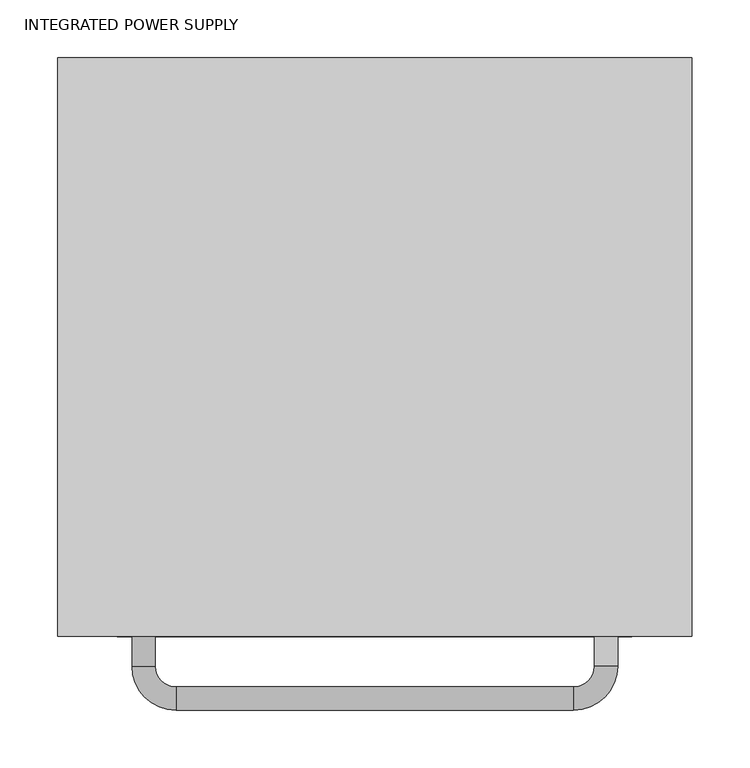
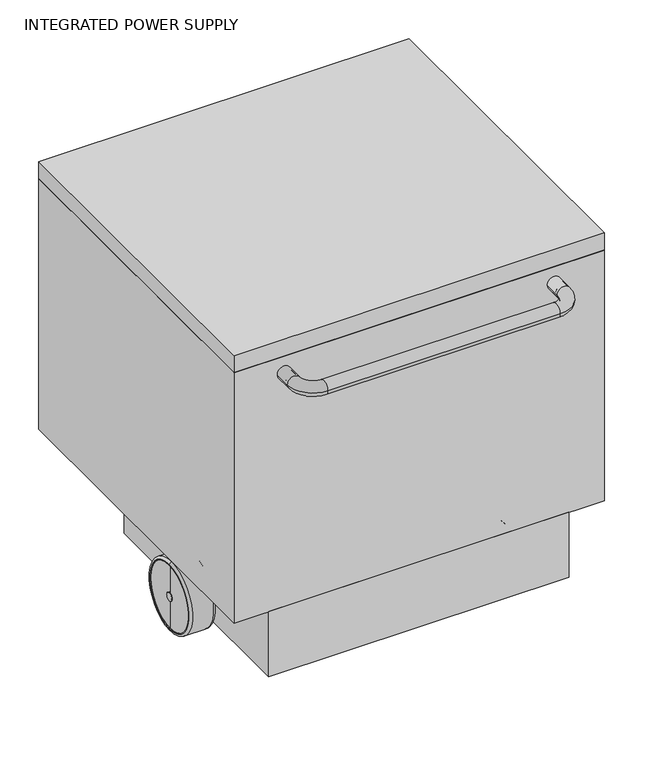
"""IFC4 building model written with IfcOpenShell, lengths in millimetres: proxy geometry, INTEGRATED POWER SUPPLY."""

from ifc_helpers import new_model, si_unit, point, frame, frame_2d, origin, place, context, project, spatial, polyline, circle_curve, ellipse_curve, trimmed, segment, composite_curve, outline, extrude, source, transform, mapped, element, save
from ifc_brep_helpers import plane_surface, cylinder_surface, revolved_surface, advanced_brep


def integrated_power_supply_78c6c87e(model_context):
    return source(origin(), model_context, "Body", "SolidModel", [
        extrude(outline(composite_curve([segment(trimmed(circle_curve(frame_2d((-93.9407772, 24.2902426)), 5.4242209), [point((-92.5400523, 19.05))], [point((-95.3284853, 29.5339473))], False, "CARTESIAN"), True, "CONTINUOUS"), segment(polyline([(-95.3284853, 29.5339473), (-88.7544815, 54.0684633), (-47.7184633, 54.0684633), (-92.5400523, 19.05)]), True, "CONTINUOUS")], self_intersect=False)), frame((-19.05, 0.0, 0.0), z_axis=(1.0, 0.0, 0.0), x_axis=(0.0, 1.0, 0.0)), (0.0, 0.0, 1.0), 38.1),
        advanced_brep(
        [(-264.43939, -317.5, 3.175), (-264.43939, -317.5, 104.775), (-261.26439, -317.5, 107.95), (-261.26439, -317.5, 0.0), (-264.43939, -317.5, 4.5222957), (-264.43939, -317.5, 103.4277043), (-263.2740892, -317.5, 4.5222957), (-263.2740892, -317.5, 103.4277043), (-263.2740892, -317.5, 53.975), (-226.33939, -317.5, 3.175), (-226.33939, -317.5, 104.775), (-226.33939, -317.5, 53.975), (-229.51439, -317.5, 0.0), (-229.51439, -317.5, 107.95)],
        [
            (0, 1, circle_curve(frame((-264.43939, -317.5, 53.975), z_axis=(1.0, 0.0, 0.0), x_axis=(0.0, 0.0, 1.0)), 50.8)),
            (1, 2, circle_curve(frame((-261.26439, -317.5, 104.775), z_axis=(0.0, 1.0, 0.0), x_axis=(1.0, 0.0, 0.0)), 3.175)),
            (2, 3, circle_curve(frame((-261.26439, -317.5, 53.975), z_axis=(-1.0, 0.0, 0.0), x_axis=(0.0, 0.0, 1.0)), 53.975)),
            (3, 0, circle_curve(frame((-261.26439, -317.5, 3.175), z_axis=(0.0, 1.0, 0.0), x_axis=(1.0, 0.0, 0.0)), 3.175)),
            (1, 0, circle_curve(frame((-264.43939, -317.5, 53.975), z_axis=(1.0, 0.0, 0.0), x_axis=(0.0, 0.0, 1.0)), 50.8)),
            (3, 2, circle_curve(frame((-261.26439, -317.5, 53.975), z_axis=(-1.0, 0.0, 0.0), x_axis=(0.0, 0.0, 1.0)), 53.975)),
            (4, 5, circle_curve(frame((-264.43939, -317.5, 53.975), z_axis=(1.0, 0.0, 0.0), x_axis=(0.0, 0.0, 1.0)), 49.4527043)),
            (5, 1),
            (0, 4),
            (5, 4, circle_curve(frame((-264.43939, -317.5, 53.975), z_axis=(1.0, 0.0, 0.0), x_axis=(0.0, 0.0, 1.0)), 49.4527043)),
            (6, 7, circle_curve(frame((-263.2740892, -317.5, 53.975), z_axis=(1.0, 0.0, 0.0), x_axis=(0.0, 0.0, 1.0)), 49.4527043)),
            (7, 5),
            (4, 6),
            (7, 6, circle_curve(frame((-263.2740892, -317.5, 53.975), z_axis=(1.0, 0.0, 0.0), x_axis=(0.0, 0.0, 1.0)), 49.4527043)),
            (8, 7),
            (6, 8),
            (9, 10, circle_curve(frame((-226.33939, -317.5, 53.975), z_axis=(1.0, 0.0, 0.0), x_axis=(0.0, 0.0, 1.0)), 50.8)),
            (10, 11),
            (11, 9),
            (10, 9, circle_curve(frame((-226.33939, -317.5, 53.975), z_axis=(1.0, 0.0, 0.0), x_axis=(0.0, 0.0, 1.0)), 50.8)),
            (12, 13, circle_curve(frame((-229.51439, -317.5, 53.975), z_axis=(1.0, 0.0, 0.0), x_axis=(0.0, 0.0, 1.0)), 53.975)),
            (13, 10, circle_curve(frame((-229.51439, -317.5, 104.775), z_axis=(0.0, 1.0, 0.0), x_axis=(1.0, 0.0, 0.0)), 3.175)),
            (9, 12, circle_curve(frame((-229.51439, -317.5, 3.175), z_axis=(0.0, 1.0, 0.0), x_axis=(1.0, 0.0, 0.0)), 3.175)),
            (13, 12, circle_curve(frame((-229.51439, -317.5, 53.975), z_axis=(1.0, 0.0, 0.0), x_axis=(0.0, 0.0, 1.0)), 53.975)),
            (2, 13),
            (12, 3),
        ],
        [
            revolved_surface(trimmed(ellipse_curve(frame((-261.26439, -317.5, 104.775), z_axis=(0.0, -1.0, 0.0), x_axis=(1.0, 0.0, 0.0)), 3.175, 3.175), [point((-261.26439, -317.5, 107.95))], [point((-264.43939, -317.5, 104.775))], True, "CARTESIAN"), (-270.78939, -317.5, 53.975), (-1.0, 0.0, 0.0)),
            plane_surface(frame((-264.43939, -317.5, 53.975), z_axis=(-1.0, 0.0, 0.0), x_axis=(0.0, 0.0, 1.0))),
            revolved_surface(polyline([(-264.43939, -317.5, 103.4277043), (-263.2740892, -317.5, 103.4277043)]), (-270.78939, -317.5, 53.975), (-1.0, 0.0, 0.0)),
            plane_surface(frame((-263.2740892, -317.5, 53.975), z_axis=(-1.0, 0.0, 0.0), x_axis=(0.0, 0.0, 1.0))),
            plane_surface(frame((-226.33939, -317.5, 53.975), z_axis=(1.0, 0.0, 0.0), x_axis=(0.0, 0.0, 1.0))),
            revolved_surface(trimmed(ellipse_curve(frame((-229.51439, -317.5, 104.775), z_axis=(0.0, -1.0, 0.0), x_axis=(1.0, 0.0, 0.0)), 3.175, 3.175), [point((-226.33939, -317.5, 104.775))], [point((-229.51439, -317.5, 107.95))], True, "CARTESIAN"), (-270.78939, -317.5, 53.975), (-1.0, 0.0, 0.0)),
            cylinder_surface(frame((-270.78939, -317.5, 53.975), z_axis=(-1.0, 0.0, 0.0), x_axis=(0.0, 0.0, 1.0)), 53.975),
        ],
        [
            (0, [[1, 2, 3, 4]]),
            (0, [[5, -4, 6, -2]]),
            (1, [[7, 8, -1, 9]]),
            (1, [[10, -9, -5, -8]]),
            (2, [[11, 12, -7, 13]]),
            (2, [[14, -13, -10, -12]]),
            (3, [[15, -11, 16]]),
            (3, [[-16, -14, -15]]),
            (4, [[17, 18, 19]]),
            (4, [[20, -19, -18]]),
            (5, [[21, 22, -17, 23]]),
            (5, [[24, -23, -20, -22]]),
            (6, [[-3, 25, -21, 26]]),
            (6, [[-6, -26, -24, -25]]),
        ],
    ),
        extrude(outline(composite_curve([segment(trimmed(circle_curve(frame_2d((-317.5, 53.975)), 6.35), [point((-311.15, 53.975))], [point((-323.85, 53.975))], False, "CARTESIAN"), True, "CONTINUOUS"), segment(trimmed(circle_curve(frame_2d((-317.5, 53.975)), 6.35), [point((-323.85, 53.975))], [point((-311.15, 53.975))], False, "CARTESIAN"), True, "CONTINUOUS")], self_intersect=False)), frame((-264.43939, 0.0, 0.0), z_axis=(1.0, 0.0, 0.0), x_axis=(0.0, 1.0, 0.0)), (0.0, 0.0, 1.0), 528.87878),
        advanced_brep(
        [(229.51439, -317.5, 0.0), (229.51439, -317.5, 107.95), (261.26439, -317.5, 107.95), (261.26439, -317.5, 0.0), (226.33939, -317.5, 3.175), (226.33939, -317.5, 104.775), (226.33939, -317.5, 53.975), (263.2740892, -317.5, 4.5222957), (263.2740892, -317.5, 103.4277043), (263.2740892, -317.5, 53.975), (264.43939, -317.5, 4.5222957), (264.43939, -317.5, 103.4277043), (264.43939, -317.5, 3.175), (264.43939, -317.5, 104.775)],
        [
            (0, 1, circle_curve(frame((229.51439, -317.5, 53.975), z_axis=(1.0, 0.0, 0.0), x_axis=(0.0, 0.0, 1.0)), 53.975)),
            (1, 2),
            (2, 3, circle_curve(frame((261.26439, -317.5, 53.975), z_axis=(-1.0, 0.0, 0.0), x_axis=(0.0, 0.0, 1.0)), 53.975)),
            (3, 0),
            (1, 0, circle_curve(frame((229.51439, -317.5, 53.975), z_axis=(1.0, 0.0, 0.0), x_axis=(0.0, 0.0, 1.0)), 53.975)),
            (3, 2, circle_curve(frame((261.26439, -317.5, 53.975), z_axis=(-1.0, 0.0, 0.0), x_axis=(0.0, 0.0, 1.0)), 53.975)),
            (4, 5, circle_curve(frame((226.33939, -317.5, 53.975), z_axis=(1.0, 0.0, 0.0), x_axis=(0.0, 0.0, 1.0)), 50.8)),
            (5, 1, circle_curve(frame((229.51439, -317.5, 104.775), z_axis=(0.0, 1.0, 0.0), x_axis=(-1.0, 0.0, 0.0)), 3.175)),
            (0, 4, circle_curve(frame((229.51439, -317.5, 3.175), z_axis=(0.0, 1.0, 0.0), x_axis=(-1.0, 0.0, 0.0)), 3.175)),
            (5, 4, circle_curve(frame((226.33939, -317.5, 53.975), z_axis=(1.0, 0.0, 0.0), x_axis=(0.0, 0.0, 1.0)), 50.8)),
            (6, 5),
            (4, 6),
            (7, 8, circle_curve(frame((263.2740892, -317.5, 53.975), z_axis=(1.0, 0.0, 0.0), x_axis=(0.0, 0.0, 1.0)), 49.4527043)),
            (8, 9),
            (9, 7),
            (8, 7, circle_curve(frame((263.2740892, -317.5, 53.975), z_axis=(1.0, 0.0, 0.0), x_axis=(0.0, 0.0, 1.0)), 49.4527043)),
            (10, 11, circle_curve(frame((264.43939, -317.5, 53.975), z_axis=(1.0, 0.0, 0.0), x_axis=(0.0, 0.0, 1.0)), 49.4527043)),
            (11, 8),
            (7, 10),
            (11, 10, circle_curve(frame((264.43939, -317.5, 53.975), z_axis=(1.0, 0.0, 0.0), x_axis=(0.0, 0.0, 1.0)), 49.4527043)),
            (12, 13, circle_curve(frame((264.43939, -317.5, 53.975), z_axis=(1.0, 0.0, 0.0), x_axis=(0.0, 0.0, 1.0)), 50.8)),
            (13, 11),
            (10, 12),
            (13, 12, circle_curve(frame((264.43939, -317.5, 53.975), z_axis=(1.0, 0.0, 0.0), x_axis=(0.0, 0.0, 1.0)), 50.8)),
            (2, 13, circle_curve(frame((261.26439, -317.5, 104.775), z_axis=(0.0, 1.0, 0.0), x_axis=(-1.0, 0.0, 0.0)), 3.175)),
            (12, 3, circle_curve(frame((261.26439, -317.5, 3.175), z_axis=(0.0, 1.0, 0.0), x_axis=(-1.0, 0.0, 0.0)), 3.175)),
        ],
        [
            cylinder_surface(frame((270.78939, -317.5, 53.975), z_axis=(-1.0, 0.0, 0.0), x_axis=(0.0, 0.0, 1.0)), 53.975),
            revolved_surface(trimmed(ellipse_curve(frame((229.51439, -317.5, 104.775), z_axis=(0.0, -1.0, 0.0), x_axis=(-1.0, 0.0, 0.0)), 3.175, 3.175), [point((229.51439, -317.5, 107.95))], [point((226.33939, -317.5, 104.775))], True, "CARTESIAN"), (270.78939, -317.5, 53.975), (-1.0, 0.0, 0.0)),
            plane_surface(frame((226.33939, -317.5, 53.975), z_axis=(-1.0, 0.0, 0.0), x_axis=(0.0, 0.0, 1.0))),
            plane_surface(frame((263.2740892, -317.5, 53.975), z_axis=(1.0, 0.0, 0.0), x_axis=(0.0, 0.0, 1.0))),
            revolved_surface(polyline([(263.2740892, -317.5, 103.4277043), (264.43939, -317.5, 103.4277043)]), (270.78939, -317.5, 53.975), (-1.0, 0.0, 0.0)),
            plane_surface(frame((264.43939, -317.5, 53.975), z_axis=(1.0, 0.0, 0.0), x_axis=(0.0, 0.0, 1.0))),
            revolved_surface(trimmed(ellipse_curve(frame((261.26439, -317.5, 104.775), z_axis=(0.0, -1.0, 0.0), x_axis=(-1.0, 0.0, 0.0)), 3.175, 3.175), [point((264.43939, -317.5, 104.775))], [point((261.26439, -317.5, 107.95))], True, "CARTESIAN"), (270.78939, -317.5, 53.975), (-1.0, 0.0, 0.0)),
        ],
        [
            (0, [[1, 2, 3, 4]]),
            (0, [[5, -4, 6, -2]]),
            (1, [[7, 8, -1, 9]]),
            (1, [[10, -9, -5, -8]]),
            (2, [[11, -7, 12]]),
            (2, [[-12, -10, -11]]),
            (3, [[13, 14, 15]]),
            (3, [[16, -15, -14]]),
            (4, [[17, 18, -13, 19]]),
            (4, [[20, -19, -16, -18]]),
            (5, [[21, 22, -17, 23]]),
            (5, [[24, -23, -20, -22]]),
            (6, [[-3, 25, -21, 26]]),
            (6, [[-6, -26, -24, -25]]),
        ],
    ),
        extrude(outline(composite_curve([segment(trimmed(circle_curve(frame_2d((-94.227315, 25.4)), 25.4), [point((-68.827315, 25.4))], [point((-119.627315, 25.4))], False, "CARTESIAN"), True, "CONTINUOUS"), segment(trimmed(circle_curve(frame_2d((-94.227315, 25.4)), 25.4), [point((-119.627315, 25.4))], [point((-68.827315, 25.4))], False, "CARTESIAN"), True, "CONTINUOUS")], self_intersect=False)), frame((-12.7, 0.0, 0.0), z_axis=(1.0, 0.0, 0.0), x_axis=(0.0, 1.0, 0.0)), (0.0, 0.0, 1.0), 25.4),
        extrude(outline(polyline([(-47.7184633, 73.1184633), (-47.7184633, 54.0684633), (-129.7904998, 54.0684633), (-129.7904998, 127.0), (-101.6, 127.0), (-47.7184633, 73.1184633)])), frame((-19.05, 0.0, 0.0), z_axis=(1.0, 0.0, 0.0), x_axis=(0.0, 1.0, 0.0)), (0.0, 0.0, 1.0), 38.1),
        extrude(outline(polyline([(25.4, -222.881538), (25.4, 222.25), (127.0, 222.25), (127.0, 0.0), (127.0, -222.881538), (25.4, -222.881538)])), frame((0.0, -500.38, 0.0), z_axis=(0.0, 1.0, 0.0), x_axis=(0.0, 0.0, 1.0)), (0.0, 0.0, 1.0), 370.5895002),
        advanced_brep(
        [(-210.1594899, -500.38, 493.6774746), (-190.1441898, -500.38, 493.6774746), (-210.1594899, -525.9759722, 493.6774746), (-190.1441898, -525.9759722, 493.6774746), (-172.0594899, -544.0606721, 493.6774746), (-172.0594899, -564.0759722, 493.6774746), (172.0594899, -564.0759722, 493.6774746), (172.0594899, -544.0606721, 493.6774746), (190.1441898, -525.9759722, 493.6774746), (210.1594899, -525.9759722, 493.6774746), (210.1594899, -500.38, 493.6774746), (190.1441898, -500.38, 493.6774746)],
        [
            (0, 1, circle_curve(frame((-200.1518399, -500.38, 493.6774746), z_axis=(0.0, 1.0, 0.0), x_axis=(1.0, 0.0, 0.0)), 10.00765)),
            (1, 0, circle_curve(frame((-200.1518399, -500.38, 493.6774746), z_axis=(0.0, 1.0, 0.0), x_axis=(1.0, 0.0, 0.0)), 10.00765)),
            (0, 2),
            (2, 3, circle_curve(frame((-200.1518399, -525.9759722, 493.6774746), z_axis=(0.0, 1.0, 0.0), x_axis=(1.0, 0.0, 0.0)), 10.00765)),
            (3, 1),
            (3, 2, circle_curve(frame((-200.1518399, -525.9759722, 493.6774746), z_axis=(0.0, 1.0, 0.0), x_axis=(1.0, 0.0, 0.0)), 10.00765)),
            (4, 3, circle_curve(frame((-172.0594899, -525.9759722, 493.6774746), z_axis=(0.0, 0.0, -1.0), x_axis=(-1.0, 0.0, 0.0)), 18.0846999)),
            (2, 5, circle_curve(frame((-172.0594899, -525.9759722, 493.6774746), z_axis=(0.0, 0.0, 1.0), x_axis=(-1.0, 0.0, 0.0)), 38.1)),
            (5, 4, circle_curve(frame((-172.0594899, -554.0683221, 493.6774746), z_axis=(-1.0, 0.0, 0.0), x_axis=(0.0, 1.0, 0.0)), 10.00765)),
            (4, 5, circle_curve(frame((-172.0594899, -554.0683221, 493.6774746), z_axis=(-1.0, 0.0, 0.0), x_axis=(0.0, 1.0, 0.0)), 10.00765)),
            (5, 6),
            (6, 7, circle_curve(frame((172.0594899, -554.0683221, 493.6774746), z_axis=(-1.0, 0.0, 0.0), x_axis=(0.0, 1.0, 0.0)), 10.00765)),
            (7, 4),
            (7, 6, circle_curve(frame((172.0594899, -554.0683221, 493.6774746), z_axis=(-1.0, 0.0, 0.0), x_axis=(0.0, 1.0, 0.0)), 10.00765)),
            (8, 7, circle_curve(frame((172.0594899, -525.9759722, 493.6774746), z_axis=(0.0, 0.0, -1.0), x_axis=(0.0, -1.0, 0.0)), 18.0846999)),
            (6, 9, circle_curve(frame((172.0594899, -525.9759722, 493.6774746), z_axis=(0.0, 0.0, 1.0), x_axis=(0.0, -1.0, 0.0)), 38.1)),
            (9, 8, circle_curve(frame((200.1518399, -525.9759722, 493.6774746), z_axis=(0.0, -1.0, 0.0), x_axis=(-1.0, 0.0, 0.0)), 10.00765)),
            (8, 9, circle_curve(frame((200.1518399, -525.9759722, 493.6774746), z_axis=(0.0, -1.0, 0.0), x_axis=(-1.0, 0.0, 0.0)), 10.00765)),
            (10, 11, circle_curve(frame((200.1518399, -500.38, 493.6774746), z_axis=(0.0, 1.0, 0.0), x_axis=(-1.0, 0.0, 0.0)), 10.00765)),
            (11, 10, circle_curve(frame((200.1518399, -500.38, 493.6774746), z_axis=(0.0, 1.0, 0.0), x_axis=(-1.0, 0.0, 0.0)), 10.00765)),
            (9, 10),
            (11, 8),
        ],
        [
            plane_surface(frame((-210.1594899, -500.38, 0.0), z_axis=(0.0, 1.0, 0.0), x_axis=(0.0, 0.0, 1.0))),
            cylinder_surface(frame((-200.1518399, -500.38, 493.6774746), z_axis=(0.0, 1.0, 0.0), x_axis=(1.0, 0.0, 0.0)), 10.00765),
            revolved_surface(trimmed(ellipse_curve(frame((-200.1518399, -525.9759722, 493.6774746), z_axis=(0.0, 1.0, 0.0), x_axis=(1.0, 0.0, 0.0)), 10.00765, 10.00765), [point((-210.1594899, -525.9759722, 493.6774746))], [point((-190.1441898, -525.9759722, 493.6774746))], True, "CARTESIAN"), (-172.0594899, -525.9759722, 0.0), (0.0, 0.0, 1.0)),
            revolved_surface(trimmed(ellipse_curve(frame((-200.1518399, -525.9759722, 493.6774746), z_axis=(0.0, 1.0, 0.0), x_axis=(1.0, 0.0, 0.0)), 10.00765, 10.00765), [point((-190.1441898, -525.9759722, 493.6774746))], [point((-210.1594899, -525.9759722, 493.6774746))], True, "CARTESIAN"), (-172.0594899, -525.9759722, 0.0), (0.0, 0.0, 1.0)),
            cylinder_surface(frame((-172.0594899, -554.0683221, 493.6774746), z_axis=(-1.0, 0.0, 0.0), x_axis=(0.0, 1.0, 0.0)), 10.00765),
            revolved_surface(trimmed(ellipse_curve(frame((172.0594899, -554.0683221, 493.6774746), z_axis=(-1.0, 0.0, 0.0), x_axis=(0.0, 1.0, 0.0)), 10.00765, 10.00765), [point((172.0594899, -564.0759722, 493.6774746))], [point((172.0594899, -544.0606721, 493.6774746))], True, "CARTESIAN"), (172.0594899, -525.9759722, 0.0), (0.0, 0.0, 1.0)),
            revolved_surface(trimmed(ellipse_curve(frame((172.0594899, -554.0683221, 493.6774746), z_axis=(-1.0, 0.0, 0.0), x_axis=(0.0, 1.0, 0.0)), 10.00765, 10.00765), [point((172.0594899, -544.0606721, 493.6774746))], [point((172.0594899, -564.0759722, 493.6774746))], True, "CARTESIAN"), (172.0594899, -525.9759722, 0.0), (0.0, 0.0, 1.0)),
            plane_surface(frame((210.1594899, -500.38, 0.0), z_axis=(0.0, 1.0, 0.0), x_axis=(0.0, 0.0, 1.0))),
            cylinder_surface(frame((200.1518399, -525.9759722, 493.6774746), z_axis=(0.0, -1.0, 0.0), x_axis=(-1.0, 0.0, 0.0)), 10.00765),
        ],
        [
            (0, [[1, 2]]),
            (1, [[-1, 3, 4, 5]]),
            (1, [[-2, -5, 6, -3]]),
            (2, [[7, -4, 8, 9]]),
            (3, [[-8, -6, -7, 10]]),
            (4, [[-9, 11, 12, 13]]),
            (4, [[-10, -13, 14, -11]]),
            (5, [[15, -12, 16, 17]]),
            (6, [[-16, -14, -15, 18]]),
            (7, [[19, 20]]),
            (8, [[-17, 21, -20, 22]]),
            (8, [[-18, -22, -19, -21]]),
        ],
    ),
        extrude(outline(composite_curve([segment(trimmed(circle_curve(frame_2d((493.6774746, -200.1518399)), 10.00765), [point((493.6774746, -210.1594899))], [point((493.6774746, -190.1441898))], False, "CARTESIAN"), True, "CONTINUOUS"), segment(trimmed(circle_curve(frame_2d((493.6774746, -200.1518399)), 10.00765), [point((493.6774746, -190.1441898))], [point((493.6774746, -210.1594899))], False, "CARTESIAN"), True, "CONTINUOUS")], self_intersect=False)), frame((0.0, -522.0440422, 0.0), z_axis=(0.0, 1.0, 0.0), x_axis=(0.0, 0.0, 1.0)), (0.0, 0.0, 1.0), 21.6640422),
        extrude(outline(composite_curve([segment(trimmed(circle_curve(frame_2d((493.6774746, 200.1518399)), 10.00765), [point((493.6774746, 210.1594899))], [point((493.6774746, 190.1441898))], False, "CARTESIAN"), True, "CONTINUOUS"), segment(trimmed(circle_curve(frame_2d((493.6774746, 200.1518399)), 10.00765), [point((493.6774746, 190.1441898))], [point((493.6774746, 210.1594899))], False, "CARTESIAN"), True, "CONTINUOUS")], self_intersect=False)), frame((0.0, -522.0440422, 0.0), z_axis=(0.0, 1.0, 0.0), x_axis=(0.0, 0.0, 1.0)), (0.0, 0.0, 1.0), 21.6640422),
        extrude(outline(polyline([(274.32, 0.0), (274.32, -500.38), (-274.32, -500.38), (-274.32, 0.0), (274.32, 0.0)])), frame((0.0, 0.0, 127.0), z_axis=(0.0, 0.0, 1.0), x_axis=(1.0, 0.0, 0.0)), (0.0, 0.0, 1.0), 392.0774746),
        extrude(outline(polyline([(274.32, -500.38), (-274.32, -500.38), (-274.32, 0.0), (274.32, 0.0), (274.32, -500.38)])), frame((0.0, 0.0, 519.0774746), z_axis=(0.0, 0.0, 1.0), x_axis=(1.0, 0.0, 0.0)), (0.0, 0.0, 1.0), 27.0225254),
    ])


if __name__ == "__main__":
    model = new_model("IFC4")
    model_context = context("Model", 3, world=origin())
    ifc_project = project(units=[si_unit("LENGTHUNIT", "METRE", prefix="MILLI")], contexts=[model_context])
    site = spatial("IfcSite", under=ifc_project)
    building = spatial("IfcBuilding", under=site)
    placement = place(None, origin())
    integrated_power_supply_shape = integrated_power_supply_78c6c87e(model_context)
    element("IfcBuildingElementProxy", 1, Name="INTEGRATED POWER SUPPLY", ObjectType="INTEGRATED POWER SUPPLY", at=placement, inside=building, context=model_context, shape_type="MappedRepresentation", body=[
        mapped(integrated_power_supply_shape, transform((0.0, 0.0, 0.0), x_axis=(1.0, 0.0, 0.0), y_axis=(0.0, 1.0, 0.0), z_axis=(0.0, 0.0, 1.0))),
    ])
    save(model, "model.ifc")
